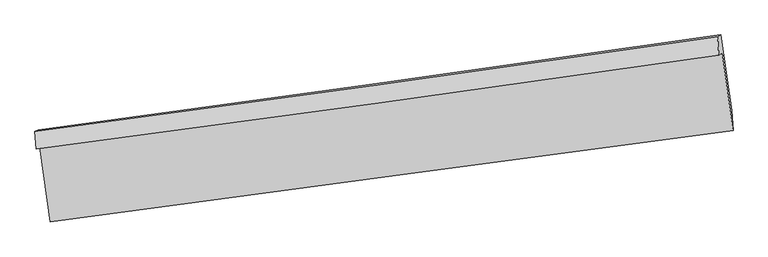
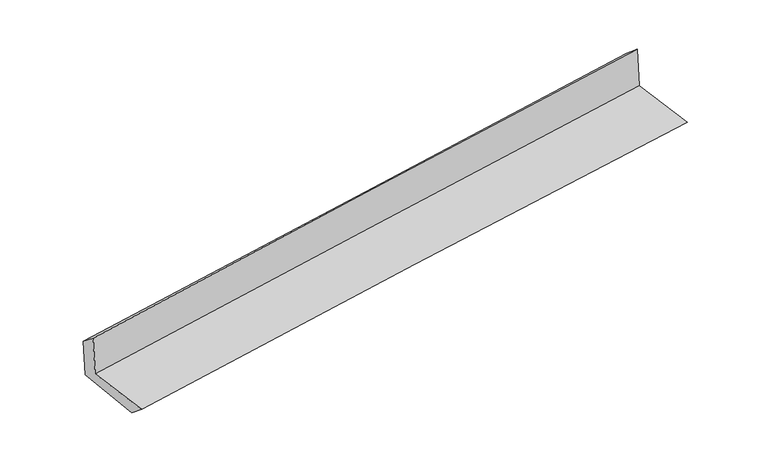
"""IFC4 building model written with IfcOpenShell, lengths in millimetres: proxy geometry."""

from ifc_helpers import new_model, si_unit, frame, origin, place, context, project, spatial, source, transform, mapped, element, save
from ifc_brep_helpers import plane_surface, spline_curve, spline_surface, advanced_brep


def generic_models_45bb3d2a(model_context):
    return source(origin(), model_context, "Body", "AdvancedBrep", [
        advanced_brep(
        [(-2993.7603775, -1911.1370852, 1647.2607061), (-2903.0899364, -2563.1295893, 1634.854465), (3039.6489017, -1767.0733512, 2121.6915638), (2946.0725294, -1093.5506494, 2134.6206123), (-3023.5871122, -1927.1570101, 2045.7256347), (2915.5015871, -1109.9702878, 2543.027649), (-3034.6116243, -1775.6791634, 1923.6944009), (2904.5643921, -947.8111466, 2401.9153791), (-3006.9291398, -1760.8109144, 1553.8752004), (2931.8627732, -933.1491993, 2037.227539), (-2914.4476108, -2406.0785916, 1507.4321748), (3026.5290381, -1594.3244832, 1989.6329865)],
        [
            (0, 1),
            (1, 2, spline_curve(3, [(-2903.0899364, -2563.1295893, 1634.854465), (-1911.323410667, -2429.242960524, 1725.553450663), (-919.247986116, -2295.833511232, 1811.54247442), (1061.667353973, -2030.485130034, 1973.785002173), (2050.504875543, -1898.542500355, 2050.075011229), (3039.6489017, -1767.0733512, 2121.6915638)], [4, 2, 4], [0.0, 9.8873910940923, 19.736390663919973])),
            (2, 3),
            (3, 0, spline_curve(3, [(2946.0725294, -1093.5506494, 2134.6206123), (1958.000588514, -1235.271603166, 2062.588352827), (969.941372156, -1374.137315901, 1986.046688026), (-1010.003029616, -1646.688431031, 1823.628609683), (-2001.888115347, -1780.351529857, 1737.716972461), (-2993.7603775, -1911.1370852, 1647.2607061)], [4, 2, 4], [0.0, 9.848999569827674, 19.736390663919973])),
            (4, 0),
            (3, 5),
            (5, 4, spline_curve(3, [(2915.5015871, -1109.9702878, 2543.027649), (1927.30396924, -1251.758742423, 2472.674348467), (939.243568357, -1390.625091495, 2396.148507496), (-1040.45373656, -1663.043491077, 2230.42938437), (-2032.089568674, -1796.572716121, 2141.187887368), (-3023.5871122, -1927.1570101, 2045.7256347)], [4, 2, 4], [0.0, 9.849131524600397, 19.736655087826783])),
            (6, 4),
            (5, 7),
            (7, 6, spline_curve(3, [(2904.5643921, -947.8111466, 2401.9153791), (1916.828410356, -1091.095423118, 2327.306954), (928.99202854, -1231.597786236, 2250.233318248), (-1050.73252615, -1507.57552181, 2090.845581928), (-2042.621482906, -1643.029164442, 2008.512224735), (-3034.6116243, -1775.6791634, 1923.6944009)], [4, 2, 4], [0.0, 9.849088792701911, 19.736569457460334])),
            (8, 6),
            (7, 9),
            (9, 8, spline_curve(3, [(2931.8627732, -933.1491993, 2037.227539), (1945.288028744, -1075.809775604, 1947.105771297), (958.065279031, -1215.982557035, 1861.834424685), (-1021.526963265, -1491.889228377, 1700.679090533), (-2013.901518181, -1627.60368523, 1624.832991434), (-3006.9291398, -1760.8109144, 1553.8752004)], [4, 2, 4], [0.0, 9.849023690714885, 19.73643899971792])),
            (10, 8),
            (9, 11),
            (11, 10, spline_curve(3, [(3026.5290381, -1594.3244832, 1989.6329865), (2038.688301286, -1736.580476572, 1919.203094451), (1050.649970475, -1875.230091539, 1843.892425587), (-929.674035948, -2145.842964295, 1683.196946347), (-1921.961254693, -2277.778052338, 1597.774011365), (-2914.4476108, -2406.0785916, 1507.4321748)], [4, 2, 4], [0.0, 9.848939308894112, 19.73626990715497])),
            (1, 10),
            (11, 2),
        ],
        [
            spline_surface(3, 3, [[(-2993.7603775, -1911.1370852, 1647.2607061), (-2001.888115454, -1780.35152988, 1737.716972549), (-1010.003029571, -1646.688430893, 1823.628609789), (969.941372112, -1374.137316039, 1986.04668792), (1958.000588549, -1235.271603108, 2062.588352709), (2946.0725294, -1093.5506494, 2134.6206123)], [(-2963.53689713, -2128.467919885, 1643.12529242), (-1971.699880532, -1996.648673422, 1733.662465269), (-979.751348442, -1863.070124267, 1819.599898036), (1000.516699409, -1592.919920735, 1981.959459303), (1988.835350878, -1456.361902171, 2058.417238847), (2977.26465349, -1318.058216677, 2130.310929467)], [(-2933.31341677, -2345.798754615, 1638.98987868), (-1941.51164562, -2212.945817009, 1729.607957928), (-949.499667294, -2079.451817702, 1815.57118628), (1031.092026724, -1811.702525493, 1977.872230683), (2019.670113237, -1677.452201201, 2054.246124983), (3008.45677761, -1542.565783923, 2126.001246633)], [(-2903.0899364, -2563.1295893, 1634.854465), (-1911.323410698, -2429.242960552, 1725.553450648), (-919.247986164, -2295.833511076, 1811.542474527), (1061.667354021, -2030.485130189, 1973.785002065), (2050.504875566, -1898.542500263, 2050.075011121), (3039.6489017, -1767.0733512, 2121.6915638)]], [4, 4], [4, 2, 4], [0.0, 2.1626991141707252], [0.0, 9.8873910940923, 19.736390663919973]),
            spline_surface(3, 3, [[(-3023.5871122, -1927.1570101, 2045.7256347), (-2032.089568764, -1796.572715964, 2141.187887399), (-1040.453736566, -1663.043490939, 2230.429384423), (939.243568363, -1390.625091632, 2396.148507444), (1927.303969269, -1251.758742553, 2472.674348536), (2915.5015871, -1109.9702878, 2543.027649)], [(-3013.64486729, -1921.817035158, 1912.903991801), (-2022.022417651, -1791.165653961, 2006.697582416), (-1030.3035009, -1657.591804263, 2094.829126221), (949.476169614, -1385.129166441, 2259.447900945), (1937.536175698, -1246.26302942, 2335.979016588), (2925.691901202, -1104.497075015, 2406.891970094)], [(-3003.70262241, -1916.477060142, 1780.082348999), (-2011.955266567, -1785.758591883, 1872.207277532), (-1020.153265238, -1652.140117569, 1959.228867991), (959.708770861, -1379.633241231, 2122.747294419), (1947.768382121, -1240.767316241, 2199.283684657), (2935.882215298, -1099.023862185, 2270.756291206)], [(-2993.7603775, -1911.1370852, 1647.2607061), (-2001.888115454, -1780.35152988, 1737.716972549), (-1010.003029571, -1646.688430893, 1823.628609789), (969.941372112, -1374.137316039, 1986.04668792), (1958.000588549, -1235.271603108, 2062.588352709), (2946.0725294, -1093.5506494, 2134.6206123)]], [4, 4], [4, 2, 4], [0.0, 1.3448707037307048], [0.0, 9.887523563226386, 19.736655087826783]),
            spline_surface(3, 3, [[(-3034.6116243, -1775.6791634, 1923.6944009), (-2042.621482939, -1643.029164315, 2008.512224878), (-1050.732526072, -1507.575521893, 2090.84558187), (928.992028463, -1231.597786154, 2250.233318305), (1916.828410428, -1091.095422982, 2327.306954038), (2904.5643921, -947.8111466, 2401.9153791)], [(-3030.936786943, -1826.171778937, 1964.371478852), (-2039.110844891, -1694.210348168, 2052.737445738), (-1047.306262896, -1559.398178247, 2137.373516057), (932.409208437, -1284.606887985, 2298.871714687), (1920.320263379, -1144.649862815, 2375.762752211), (2908.210123771, -1001.864193642, 2448.952802406)], [(-3027.261949557, -1876.664394563, 2005.048556748), (-2035.600206813, -1745.39153211, 2096.96266654), (-1043.879999743, -1611.220834585, 2183.901450236), (935.826388389, -1337.615989801, 2347.510111062), (1923.812116318, -1198.204302721, 2424.218550364), (2911.855855429, -1055.917240758, 2495.990225694)], [(-3023.5871122, -1927.1570101, 2045.7256347), (-2032.089568764, -1796.572715964, 2141.187887399), (-1040.453736566, -1663.043490939, 2230.429384423), (939.243568363, -1390.625091632, 2396.148507444), (1927.303969269, -1251.758742553, 2472.674348536), (2915.5015871, -1109.9702878, 2543.027649)]], [4, 4], [4, 2, 4], [0.0, 0.6975462727614925], [0.0, 9.887480664758423, 19.736569457460334]),
            spline_surface(3, 3, [[(-3006.9291398, -1760.8109144, 1553.8752004), (-2013.901518097, -1627.603685124, 1624.832991292), (-1021.526963424, -1491.88922824, 1700.679090657), (958.065279189, -1215.982557171, 1861.834424561), (1945.288028866, -1075.809775669, 1947.105771392), (2931.8627732, -933.1491993, 2037.227539)], [(-3016.156634617, -1765.766997411, 1677.148267241), (-2023.474839695, -1632.745511532, 1752.726069162), (-1031.262150969, -1497.117992771, 1830.734587722), (948.374195617, -1221.187633479, 1991.30072247), (1935.801489396, -1080.904991438, 2073.83949895), (2922.763312843, -938.036515065, 2158.790152376)], [(-3025.384129483, -1770.723080389, 1800.421334059), (-2033.048161342, -1637.887337907, 1880.619147009), (-1040.997338527, -1502.346757362, 1960.790084805), (938.683112035, -1226.392709846, 2120.767020396), (1926.314949898, -1086.000207213, 2200.57322648), (2913.663852457, -942.923830835, 2280.352765724)], [(-3034.6116243, -1775.6791634, 1923.6944009), (-2042.621482939, -1643.029164315, 2008.512224878), (-1050.732526072, -1507.575521893, 2090.84558187), (928.992028463, -1231.597786154, 2250.233318305), (1916.828410428, -1091.095422982, 2327.306954038), (2904.5643921, -947.8111466, 2401.9153791)]], [4, 4], [4, 2, 4], [0.0, 1.2817872273323905], [0.0, 9.887415309003034, 19.73643899971792]),
            spline_surface(3, 3, [[(-2914.4476108, -2406.0785916, 1507.4321748), (-1921.961254542, -2277.778052349, 1597.774011523), (-929.674035836, -2145.842964419, 1683.196946418), (1050.649970364, -1875.230091415, 1843.892425517), (2038.688301255, -1736.580476524, 1919.203094482), (3026.5290381, -1594.3244832, 1989.6329865)], [(-2945.274787131, -2190.989365876, 1522.913183338), (-1952.608009058, -2061.053263283, 1606.793671451), (-960.291678364, -1927.858385713, 1689.024327817), (1019.788406641, -1655.480913354, 1849.873091852), (2007.5548771, -1516.323576248, 1928.503986772), (2994.973616441, -1373.932721909, 2005.49783732)], [(-2976.101963469, -1975.900140124, 1538.394191862), (-1983.254763581, -1844.328474189, 1615.813331364), (-990.909320896, -1709.873806946, 1694.851709257), (988.926842913, -1435.731735232, 1855.853758227), (1976.421453021, -1296.066675945, 1937.804879101), (2963.418194859, -1153.540960591, 2021.36268818)], [(-3006.9291398, -1760.8109144, 1553.8752004), (-2013.901518097, -1627.603685124, 1624.832991292), (-1021.526963424, -1491.88922824, 1700.679090657), (958.065279189, -1215.982557171, 1861.834424561), (1945.288028866, -1075.809775669, 1947.105771392), (2931.8627732, -933.1491993, 2037.227539)]], [4, 4], [4, 2, 4], [0.0, 2.1760863837815916], [0.0, 9.887330598260858, 19.73626990715497]),
            spline_surface(3, 3, [[(-2903.0899364, -2563.1295893, 1634.854465), (-1911.323410698, -2429.242960552, 1725.553450648), (-919.247986164, -2295.833511076, 1811.542474527), (1061.667354021, -2030.485130189, 1973.785002065), (2050.504875566, -1898.542500263, 2050.075011121), (3039.6489017, -1767.0733512, 2121.6915638)], [(-2906.875827889, -2510.779256732, 1592.380368247), (-1914.869358668, -2378.754657816, 1682.960304254), (-922.723336063, -2245.836662199, 1768.760631831), (1057.994892794, -1978.733450606, 1930.487476556), (2046.566017482, -1844.555159008, 2006.45103891), (3035.275613853, -1709.490395191, 2077.672038035)], [(-2910.661719311, -2458.428924168, 1549.906271553), (-1918.415306572, -2328.266355085, 1640.367157917), (-926.198685938, -2195.839813297, 1725.978789114), (1054.322431591, -1926.981770998, 1887.189951027), (2042.627159339, -1790.567817779, 1962.827066693), (3030.902325947, -1651.907439209, 2033.652512265)], [(-2914.4476108, -2406.0785916, 1507.4321748), (-1921.961254542, -2277.778052349, 1597.774011523), (-929.674035836, -2145.842964419, 1683.196946418), (1050.649970364, -1875.230091415, 1843.892425517), (2038.688301255, -1736.580476524, 1919.203094482), (3026.5290381, -1594.3244832, 1989.6329865)]], [4, 4], [4, 2, 4], [0.0, 0.6567950504761344], [0.0, 9.887351403359872, 19.736311436569355]),
            plane_surface(frame((2960.6965369, -1240.9798529, 2204.685955), z_axis=(0.9875670812665702, 0.13568459650945802, 0.07937852523632119), x_axis=(-0.07458535226051982, -0.040059756691559895, 0.996409675345431))),
            plane_surface(frame((-2979.4043002, -2057.332059, 1718.807097), z_axis=(-0.9875475208922762, -0.13582445821330727, -0.07938268407266856), x_axis=(-0.13771668869463216, 0.9902923997502856, 0.018843477699363086))),
        ],
        [
            (0, [[1, 2, 3, 4]]),
            (1, [[5, -4, 6, 7]]),
            (2, [[8, -7, 9, 10]]),
            (3, [[11, -10, 12, 13]]),
            (4, [[14, -13, 15, 16]]),
            (5, [[17, -16, 18, -2]]),
            (6, [[-12, -9, -6, -3, -18, -15]]),
            (7, [[-1, -5, -8, -11, -14, -17]]),
        ],
    ),
    ])


if __name__ == "__main__":
    model = new_model("IFC4")
    model_context = context("Model", 3, world=origin())
    ifc_project = project(units=[si_unit("LENGTHUNIT", "METRE", prefix="MILLI")], contexts=[model_context])
    site = spatial("IfcSite", under=ifc_project)
    building = spatial("IfcBuilding", under=site)
    placement = place(None, origin())
    generic_models_shape = generic_models_45bb3d2a(model_context)
    element("IfcBuildingElementProxy", 1, Name="Generic Models", at=placement, inside=building, context=model_context, shape_type="MappedRepresentation", body=[
        mapped(generic_models_shape, transform((0.0, 0.0, 0.0), x_axis=(1.0, 0.0, 0.0), y_axis=(0.0, 1.0, 0.0), z_axis=(0.0, 0.0, 1.0))),
    ])
    save(model, "model.ifc")
